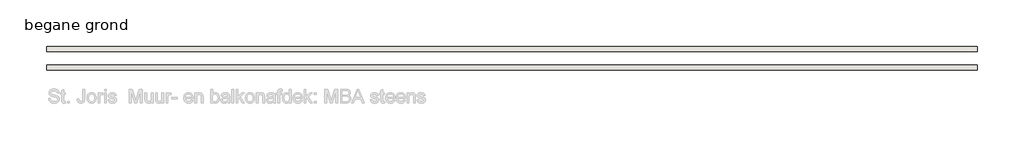
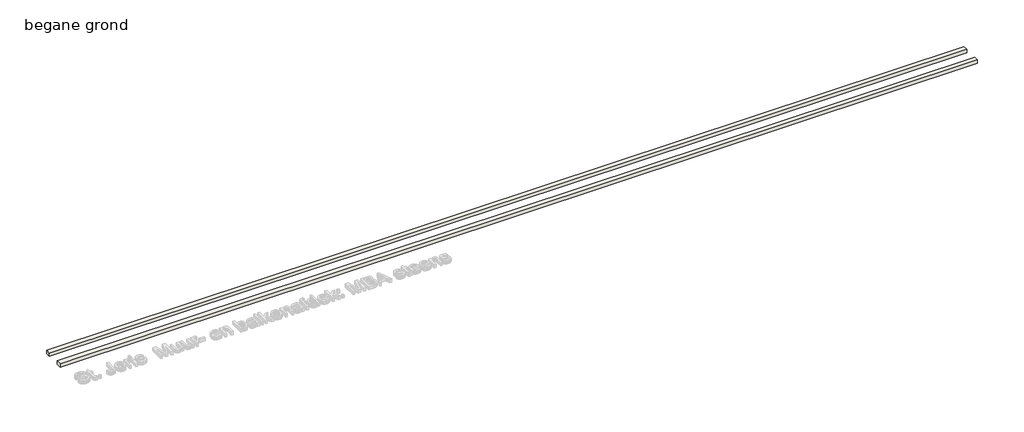
# One storey, part 1 of 2: 2 walls.
"""IFC4 building model written with IfcOpenShell, lengths in millimetres."""

from ifc_helpers import new_model, si_unit, origin, origin_with_axes, place, context, project, spatial, polyline, outline, extrude, element, save

model = new_model("IFC4")

# Units and contexts
model_context = context("Model", 3, world=origin())
ifc_project = project(units=[si_unit("LENGTHUNIT", "METRE", prefix="MILLI")], contexts=[model_context])

# Site, building, storey
site = spatial("IfcSite", under=ifc_project)
building = spatial("IfcBuilding", under=site)
storey = spatial("IfcBuildingStorey", under=building, Name="begane grond", Elevation=0.0)

# Walls
placement = place(None, origin())
element("IfcWall", 1, ObjectType="Generic - 220", at=placement, inside=storey, context=model_context, shape_type="SweptSolid", body=[
    extrude(outline(polyline([(19907.8224373, 42499.9574186), (-20031.7737169, 42499.9574186), (-20031.7737169, 42719.9574186), (19907.8224373, 42719.9574186), (19907.8224373, 42499.9574186)])), origin_with_axes(), (0.0, 0.0, 1.0), 150.0),
])
element("IfcWall", 2, ObjectType="Generic - 220", at=placement, inside=storey, context=model_context, shape_type="SweptSolid", body=[
    extrude(outline(polyline([(19907.8224373, 43299.9574186), (-20031.7737169, 43299.9574186), (-20031.7737169, 43519.9574186), (19907.8224373, 43519.9574186), (19907.8224373, 43299.9574186)])), origin_with_axes(), (0.0, 0.0, 1.0), 150.0),
])

save(model, "model.ifc")
